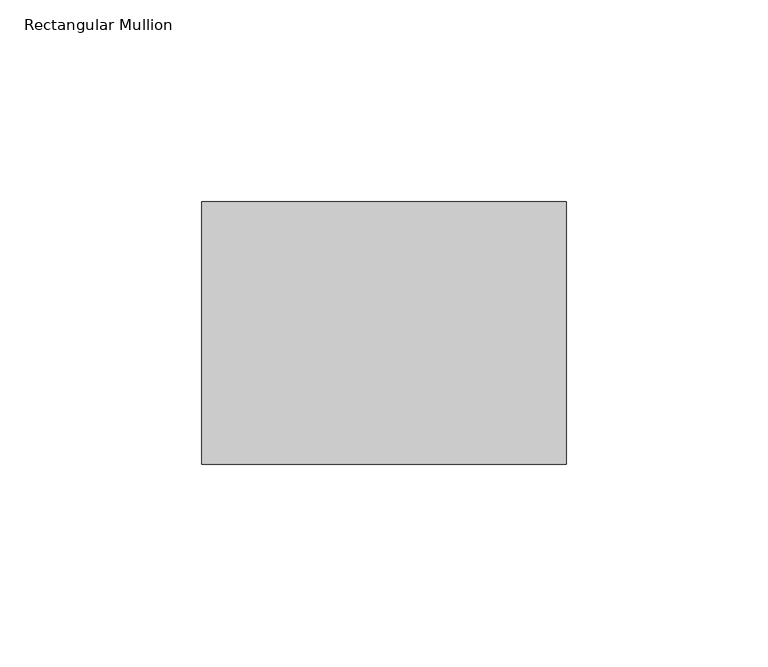
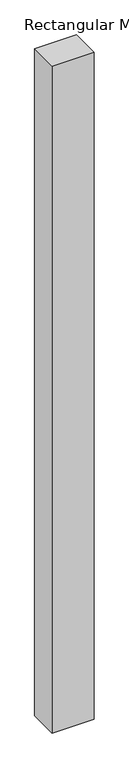
"""IFC4 building model written with IfcOpenShell, lengths in millimetres: member geometry, Rectangular Mullion."""

import ifcopenshell
import ifcopenshell.guid

model = None  # the IFC model being written
_history = None  # IfcOwnerHistory: only IFC2X3 demands one
_inside = {}  # id of a spatial element -> (the spatial element, [elements in it])
_under = {}  # id of a project, library or spatial element -> (it, [spatial elements below it])
_declared = {}  # id of a project -> (the project, [libraries it declares])
_typed = {}  # id of a type object -> (the type object, [elements of that type])
_made_of = {}  # id of a material, layer set ... -> (it, [elements and type objects made of it])


def new_model(schema):
    """Start an empty IFC model of exactly this schema.

    Asked for "IFC4X3", IfcOpenShell would pick the latest addendum, in which some entities
    have other attributes; the version numbers below select the first issue.
    IFC2X3 requires an IfcOwnerHistory on every rooted entity: one is made here for all.
    """
    global model, _history
    if schema == "IFC4X3":
        model = ifcopenshell.file(schema_version=(4, 3, 0, 0))
    else:
        model = ifcopenshell.file(schema=schema)
    _inside.clear()
    _under.clear()
    _declared.clear()
    _typed.clear()
    _made_of.clear()
    _history = None
    if model.schema == "IFC2X3":
        org = make("IfcOrganization", Name="unknown")
        user = make(
            "IfcPersonAndOrganization",
            ThePerson=make("IfcPerson", FamilyName="unknown"),
            TheOrganization=org,
        )
        app = make(
            "IfcApplication",
            ApplicationDeveloper=org,
            Version="unknown",
            ApplicationFullName="unknown",
            ApplicationIdentifier="unknown",
        )
        _history = make(
            "IfcOwnerHistory",
            OwningUser=user,
            OwningApplication=app,
            ChangeAction="ADDED",
            CreationDate=0,
        )
    return model


def make(cls, **values):
    """One entity of the class cls with the attributes given. An attribute that is None is left unset."""
    return model.create_entity(
        cls, **{name: value for name, value in values.items() if value is not None}
    )


def rooted(cls, **values):
    """An entity with a GlobalId (a new one), such as an element, a storey or a relation."""
    return make(cls, GlobalId=ifcopenshell.guid.new(), OwnerHistory=_history, **values)


def si_unit(unit_type, name, prefix=None):
    """IfcSIUnit, for example si_unit("LENGTHUNIT", "METRE", prefix="MILLI")."""
    return make("IfcSIUnit", UnitType=unit_type, Prefix=prefix, Name=name)


def assignment(units):
    """IfcUnitAssignment: the units of a project."""
    return None if units is None else make("IfcUnitAssignment", Units=units)


def point(xyz):
    """IfcCartesianPoint."""
    return None if xyz is None else make("IfcCartesianPoint", Coordinates=xyz)


def direction(xyz):
    """IfcDirection."""
    return None if xyz is None else make("IfcDirection", DirectionRatios=xyz)


def frame(location, z_axis=None, x_axis=None):
    """IfcAxis2Placement3D, a coordinate frame: its origin and axes. An axis left out is left unset."""
    return make(
        "IfcAxis2Placement3D",
        Location=point(location),
        Axis=direction(z_axis),
        RefDirection=direction(x_axis),
    )


def origin():
    """The frame at (0, 0, 0) with its axes left unset."""
    return frame((0.0, 0.0, 0.0))


def place(relative_to, where):
    """IfcLocalPlacement: puts the frame where relative to a parent placement (None: the world)."""
    return make(
        "IfcLocalPlacement", PlacementRelTo=relative_to, RelativePlacement=where
    )


def context(
    kind, dimensions, precision=None, world=None, true_north=None, identifier=None
):
    """IfcGeometricRepresentationContext, for example the 3D "Model" context."""
    return make(
        "IfcGeometricRepresentationContext",
        ContextIdentifier=identifier,
        ContextType=kind,
        CoordinateSpaceDimension=dimensions,
        Precision=precision,
        WorldCoordinateSystem=world,
        TrueNorth=true_north,
    )


def project(units=None, contexts=None):
    """IfcProject with its units and contexts."""
    return rooted(
        "IfcProject",
        Name="project",
        RepresentationContexts=contexts,
        UnitsInContext=assignment(units),
    )


def spatial(cls, under=None, at=None, **own):
    """A site, building, storey or space (cls), placed at a placement, below another one or the project."""
    s = rooted(cls, ObjectPlacement=at, **own)
    if under is not None:
        _under.setdefault(under.id(), (under, []))[1].append(s)
    return s


def polyline(points):
    """IfcPolyline through the points."""
    return make("IfcPolyline", Points=[point(p) for p in points])


def outline(outer, holes=None, kind="AREA"):
    """IfcArbitraryClosedProfileDef: a profile drawn as a closed curve; with holes, ...WithVoids."""
    if holes is None:
        return make("IfcArbitraryClosedProfileDef", ProfileType=kind, OuterCurve=outer)
    return make(
        "IfcArbitraryProfileDefWithVoids",
        ProfileType=kind,
        OuterCurve=outer,
        InnerCurves=holes,
    )


def extrude(swept, where, along, depth):
    """IfcExtrudedAreaSolid: the profile swept, set in the frame where, extruded along a direction by depth."""
    return make(
        "IfcExtrudedAreaSolid",
        SweptArea=swept,
        Position=where,
        ExtrudedDirection=direction(along),
        Depth=depth,
    )


def shape(context_of_items, identifier, shape_type, items):
    """IfcShapeRepresentation: the items that make up one representation, for example the "Body"."""
    return make(
        "IfcShapeRepresentation",
        ContextOfItems=context_of_items,
        RepresentationIdentifier=identifier,
        RepresentationType=shape_type,
        Items=items,
    )


def source(mapping_origin, context_of_items, identifier, shape_type, items):
    """IfcRepresentationMap: a shape defined once, which mapped items show again and again."""
    return make(
        "IfcRepresentationMap",
        MappingOrigin=mapping_origin,
        MappedRepresentation=shape(context_of_items, identifier, shape_type, items),
    )


def transform(
    local_origin,
    x_axis=None,
    y_axis=None,
    z_axis=None,
    scale=None,
    scale2=None,
    scale3=None,
    uniform=True,
):
    """IfcCartesianTransformationOperator3D, or its non-uniform kind. x_axis, y_axis, z_axis: its Axis1, 2, 3."""
    if uniform:
        return make(
            "IfcCartesianTransformationOperator3D",
            Axis1=direction(x_axis),
            Axis2=direction(y_axis),
            LocalOrigin=point(local_origin),
            Scale=scale,
            Axis3=direction(z_axis),
        )
    return make(
        "IfcCartesianTransformationOperator3DnonUniform",
        Axis1=direction(x_axis),
        Axis2=direction(y_axis),
        LocalOrigin=point(local_origin),
        Scale=scale,
        Axis3=direction(z_axis),
        Scale2=scale2,
        Scale3=scale3,
    )


def mapped(mapping_source, mapping_target):
    """IfcMappedItem: shows the shape of a source again, moved by a transform."""
    return make(
        "IfcMappedItem", MappingSource=mapping_source, MappingTarget=mapping_target
    )


def made_of(thing, what):
    """Note that an element or type object is made of a material, layer set ...; save() writes the relation."""
    if what is not None:
        _made_of.setdefault(what.id(), (what, []))[1].append(thing)
    return thing


def element(
    cls,
    number,
    at=None,
    inside=None,
    cuts=None,
    type_object=None,
    material=None,
    context=None,
    identifier="Body",
    shape_type=None,
    held_by="IfcProductDefinitionShape",
    body=None,
    shapes=None,
    **own,
):
    """One element of the class cls, such as IfcWall. Its Tag is "e" and its number.

    at: its placement. inside: the storey or other place that contains it. cuts: it is an
    opening in that element (IfcRelVoidsElement). A single representation is given by context,
    identifier, shape_type and body (its items); several are given by shapes. held_by: the class
    of the entity that holds the representations. save() writes the other relations.
    """
    e = rooted(cls, Tag="e%d" % number, ObjectPlacement=at, **own)
    if body is not None:
        shapes = [shape(context, identifier, shape_type, body)]
    if shapes is not None:
        e.Representation = make(held_by, Representations=shapes)
    if inside is not None:
        _inside.setdefault(inside.id(), (inside, []))[1].append(e)
    if cuts is not None:
        rooted(
            "IfcRelVoidsElement", RelatingBuildingElement=cuts, RelatedOpeningElement=e
        )
    if type_object is not None:
        _typed.setdefault(type_object.id(), (type_object, []))[1].append(e)
    return made_of(e, material)


def aggregate(whole, parts):
    """IfcRelAggregates: a whole, such as a stair, and the parts it consists of."""
    return rooted("IfcRelAggregates", RelatingObject=whole, RelatedObjects=parts)


def save(model, path):
    """Write the relations noted so far, then the file.

    IfcRelAggregates (storeys below a building ...), IfcRelContainedInSpatialStructure (elements
    in a storey), IfcRelDefinesByType, IfcRelAssociatesMaterial and IfcRelDeclares: one each for
    every whole, place, type object, material and project.
    """
    for whole, parts in _under.values():
        aggregate(whole, parts)
    for where, things in _inside.values():
        rooted(
            "IfcRelContainedInSpatialStructure",
            RelatedElements=things,
            RelatingStructure=where,
        )
    for kind, things in _typed.values():
        rooted("IfcRelDefinesByType", RelatedObjects=things, RelatingType=kind)
    for what, things in _made_of.values():
        rooted("IfcRelAssociatesMaterial", RelatedObjects=things, RelatingMaterial=what)
    for by, libraries in _declared.values():
        rooted("IfcRelDeclares", RelatingContext=by, RelatedDefinitions=libraries)
    model.write(path)


def rectangular_mullion_6b0be4ab(model_context):
    return source(origin(), model_context, "Body", "SweptSolid", [
        extrude(outline(polyline([(45.24375, -46.0375), (-45.24375, -46.0375), (-45.24375, 19.05), (45.24375, 19.05), (45.24375, -46.0375)])), frame((0.0, 0.0, -1524.0), z_axis=(0.0, 0.0, 1.0), x_axis=(1.0, 0.0, 0.0)), (0.0, 0.0, 1.0), 1524.0),
    ])


if __name__ == "__main__":
    model = new_model("IFC4")
    model_context = context("Model", 3, world=origin())
    ifc_project = project(units=[si_unit("LENGTHUNIT", "METRE", prefix="MILLI")], contexts=[model_context])
    site = spatial("IfcSite", under=ifc_project)
    building = spatial("IfcBuilding", under=site)
    placement = place(None, origin())
    rectangular_mullion_shape = rectangular_mullion_6b0be4ab(model_context)
    element("IfcMember", 1, ObjectType="Rectangular Mullion", at=placement, inside=building, context=model_context, shape_type="MappedRepresentation", body=[
        mapped(rectangular_mullion_shape, transform((0.0, 0.0, 0.0), x_axis=(1.0, 0.0, 0.0), y_axis=(0.0, 1.0, 0.0), z_axis=(0.0, 0.0, 1.0))),
    ])
    save(model, "model.ifc")
